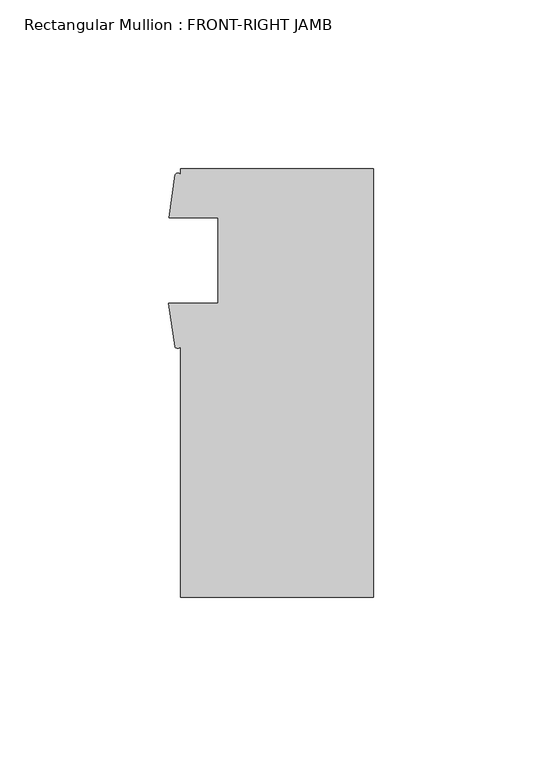
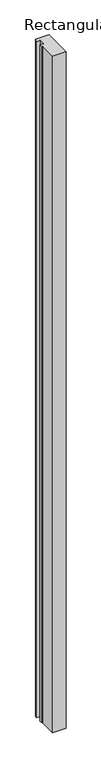
"""IFC4 building model written with IfcOpenShell, lengths in millimetres: member geometry, Rectangular Mullion : FRONT-RIGHT JAMB."""

from ifc_helpers import new_model, si_unit, point, frame, frame_2d, origin, place, context, project, spatial, polyline, circle_curve, trimmed, segment, composite_curve, outline, extrude, source, transform, mapped, element, save


def rectangular_mullion_front_right_jamb_a5d73880(model_context):
    return source(origin(), model_context, "Body", "SweptSolid", [
        extrude(outline(composite_curve([segment(polyline([(0.0, -87.1140625), (-57.15, -87.1140625), (-57.15, -12.7906403)]), True, "CONTINUOUS"), segment(trimmed(circle_curve(frame_2d((-57.9817022, -12.2703412)), 0.9810401), [point((-57.15, -12.7906403))], [point((-58.8134044, -12.7906403))], False, "CARTESIAN"), True, "CONTINUOUS"), segment(polyline([(-58.8134044, -12.7906403), (-60.6695217, -0.0175875), (-46.0375, -0.0175875), (-46.0375, 25.3824125), (-60.546, 25.3824125), (-58.7358963, 38.1537)]), True, "CONTINUOUS"), segment(trimmed(circle_curve(frame_2d((-57.9429481, 37.6824764)), 0.9223982), [point((-58.7358963, 38.1537))], [point((-57.15, 38.1537))], False, "CARTESIAN"), True, "CONTINUOUS"), segment(polyline([(-57.15, 38.1537), (-57.15, 39.8859375), (0.0, 39.8859375), (0.0, -87.1140625)]), True, "CONTINUOUS")], self_intersect=False)), frame((0.0, 0.0, -3048.0), z_axis=(0.0, 0.0, 1.0), x_axis=(1.0, 0.0, 0.0)), (0.0, 0.0, 1.0), 3048.0),
    ])


if __name__ == "__main__":
    model = new_model("IFC4")
    model_context = context("Model", 3, world=origin())
    ifc_project = project(units=[si_unit("LENGTHUNIT", "METRE", prefix="MILLI")], contexts=[model_context])
    site = spatial("IfcSite", under=ifc_project)
    building = spatial("IfcBuilding", under=site)
    placement = place(None, origin())
    rectangular_mullion_front_right_jamb_shape = rectangular_mullion_front_right_jamb_a5d73880(model_context)
    element("IfcMember", 1, ObjectType="Rectangular Mullion : FRONT-RIGHT JAMB", at=placement, inside=building, context=model_context, shape_type="MappedRepresentation", body=[
        mapped(rectangular_mullion_front_right_jamb_shape, transform((0.0, 0.0, 0.0), x_axis=(1.0, 0.0, 0.0), y_axis=(0.0, 1.0, 0.0), z_axis=(0.0, 0.0, 1.0))),
    ])
    save(model, "model.ifc")
